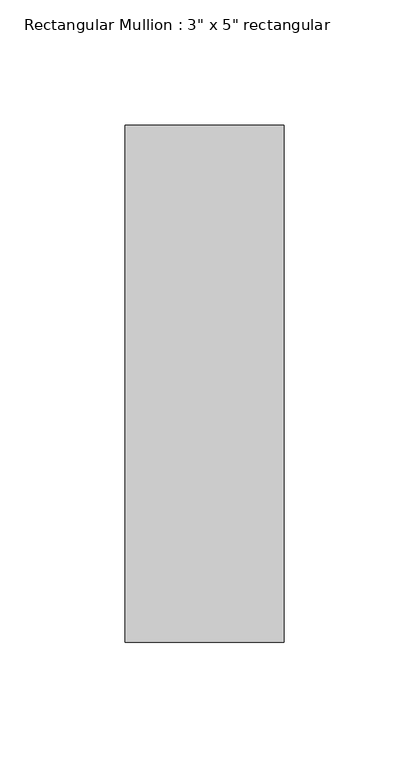
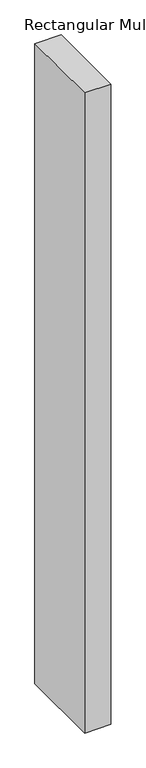
"""IFC4 building model written with IfcOpenShell, lengths in millimetres: member geometry."""

from ifc_helpers import new_model, si_unit, frame, origin, place, context, project, spatial, polyline, outline, extrude, source, transform, mapped, element, save


def member_6538261a(model_context):
    return source(origin(), model_context, "Body", "SweptSolid", [
        extrude(outline(polyline([(0.0, 90.551), (0.0, -115.951), (-63.5, -115.951), (-63.5, 90.551), (0.0, 90.551)])), frame((0.0, 0.0, -1625.6), z_axis=(0.0, 0.0, 1.0), x_axis=(1.0, 0.0, 0.0)), (0.0, 0.0, 1.0), 1625.6),
    ])


if __name__ == "__main__":
    model = new_model("IFC4")
    model_context = context("Model", 3, world=origin())
    ifc_project = project(units=[si_unit("LENGTHUNIT", "METRE", prefix="MILLI")], contexts=[model_context])
    site = spatial("IfcSite", under=ifc_project)
    building = spatial("IfcBuilding", under=site)
    placement = place(None, origin())
    member_shape = member_6538261a(model_context)
    element("IfcMember", 1, ObjectType="Rectangular Mullion : 3\" x 5\" rectangular", at=placement, inside=building, context=model_context, shape_type="MappedRepresentation", body=[
        mapped(member_shape, transform((0.0, 0.0, 0.0), x_axis=(1.0, 0.0, 0.0), y_axis=(0.0, 1.0, 0.0), z_axis=(0.0, 0.0, 1.0))),
    ])
    save(model, "model.ifc")
